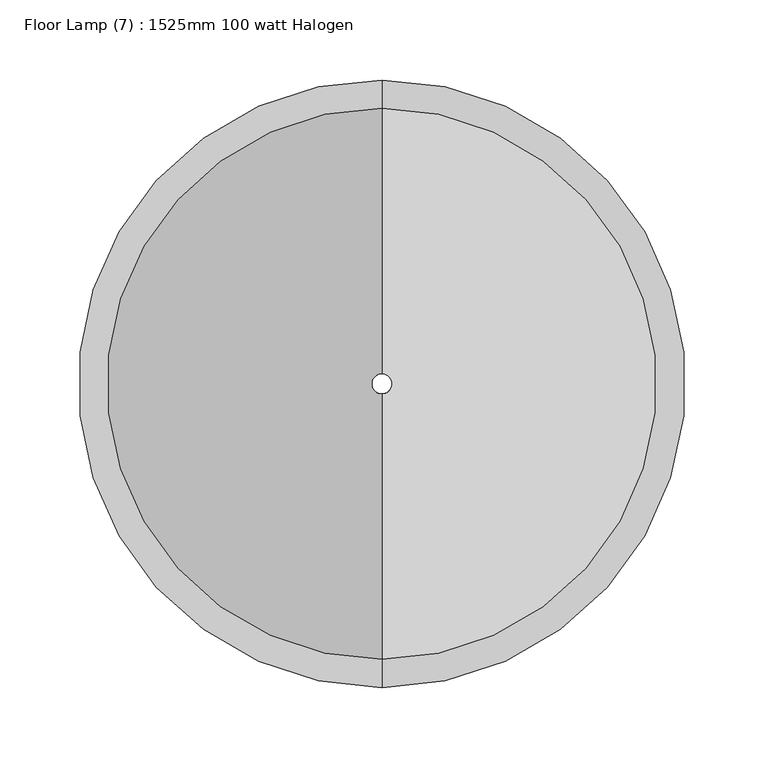
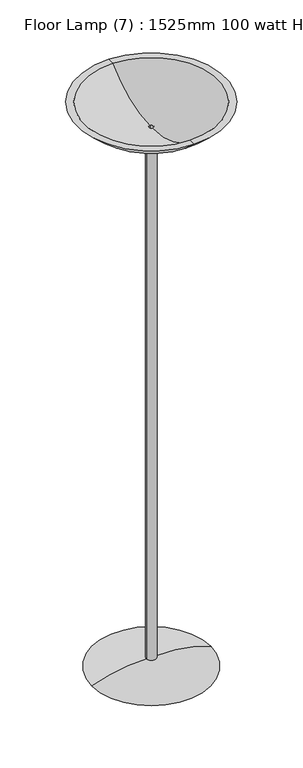
"""IFC4 building model written with IfcOpenShell, lengths in millimetres: light fixture geometry, Floor Lamp (7) : 1525mm 100 watt Halogen."""

from ifc_helpers import new_model, si_unit, point, frame, origin, place, context, project, spatial, polyline, circle_curve, ellipse_curve, trimmed, source, transform, mapped, element, save
from ifc_brep_helpers import plane_surface, cylinder_surface, revolved_surface, advanced_brep


def floor_lamp_7_1525mm_100_watt_halogen_494540a4(model_context):
    return source(origin(), model_context, "Body", "AdvancedBrep", [
        advanced_brep(
        [(-12.7, 0.0, 23.8559377), (12.7, 0.0, 23.8559377), (152.4, 0.0, 0.0), (-152.4, 0.0, 0.0), (-12.7, 0.0, 1444.3755116), (12.7, 0.0, 1444.3755116), (-6.35, 0.0, 1444.3755116), (6.35, 0.0, 1444.3755116), (-6.35, 0.0, 0.0), (6.35, 0.0, 0.0)],
        [
            (0, 1, circle_curve(frame((0.0, 0.0, 23.8559377), z_axis=(0.0, 0.0, -1.0), x_axis=(0.0, 1.0, 0.0)), 12.7)),
            (1, 2, circle_curve(frame((27.9174306, 0.0, -307.9995076), z_axis=(0.0, 1.0, 0.0), x_axis=(1.0, 0.0, 0.0)), 332.2041643)),
            (2, 3, circle_curve(frame((0.0, 0.0, 0.0), z_axis=(0.0, 0.0, 1.0), x_axis=(0.0, 1.0, 0.0)), 152.4)),
            (3, 0, circle_curve(frame((-27.9174306, 0.0, -307.9995076), z_axis=(0.0, 1.0, 0.0), x_axis=(-1.0, 0.0, 0.0)), 332.2041643)),
            (1, 0, circle_curve(frame((0.0, 0.0, 23.8559377), z_axis=(0.0, 0.0, -1.0), x_axis=(0.0, 1.0, 0.0)), 12.7)),
            (3, 2, circle_curve(frame((0.0, 0.0, 0.0), z_axis=(0.0, 0.0, 1.0), x_axis=(0.0, 1.0, 0.0)), 152.4)),
            (4, 5, circle_curve(frame((0.0, 0.0, 1444.3755116), z_axis=(0.0, 0.0, -1.0), x_axis=(0.0, 1.0, 0.0)), 12.7)),
            (5, 1),
            (0, 4),
            (5, 4, circle_curve(frame((0.0, 0.0, 1444.3755116), z_axis=(0.0, 0.0, -1.0), x_axis=(0.0, 1.0, 0.0)), 12.7)),
            (6, 7, circle_curve(frame((0.0, 0.0, 1444.3755116), z_axis=(0.0, 0.0, -1.0), x_axis=(0.0, 1.0, 0.0)), 6.35)),
            (7, 5),
            (4, 6),
            (7, 6, circle_curve(frame((0.0, 0.0, 1444.3755116), z_axis=(0.0, 0.0, -1.0), x_axis=(0.0, 1.0, 0.0)), 6.35)),
            (8, 9, circle_curve(frame((0.0, 0.0, 0.0), z_axis=(0.0, 0.0, -1.0), x_axis=(0.0, 1.0, 0.0)), 6.35)),
            (9, 7),
            (6, 8),
            (9, 8, circle_curve(frame((0.0, 0.0, 0.0), z_axis=(0.0, 0.0, -1.0), x_axis=(0.0, 1.0, 0.0)), 6.35)),
            (2, 9),
            (8, 3),
        ],
        [
            revolved_surface(trimmed(ellipse_curve(frame((0.0, 27.9174306, -307.9995076), z_axis=(1.0, 0.0, 0.0), x_axis=(0.0, 1.0, 0.0)), 332.2041643, 332.2041643), [point((0.0, 152.4, 0.0))], [point((0.0, 12.7, 23.8559377))], True, "CARTESIAN"), (0.0, 0.0, 0.0), (0.0, 0.0, 1.0)),
            cylinder_surface(frame((0.0, 0.0, 0.0), z_axis=(0.0, 0.0, 1.0), x_axis=(0.0, 1.0, 0.0)), 12.7),
            plane_surface(frame((0.0, 0.0, 1444.3755116), z_axis=(0.0, 0.0, 1.0), x_axis=(0.0, 1.0, 0.0))),
            revolved_surface(polyline([(0.0, 6.35, 1444.3755116), (0.0, 6.35, 0.0)]), (0.0, 0.0, 0.0), (0.0, 0.0, 1.0)),
            plane_surface(frame((0.0, 0.0, 0.0), z_axis=(0.0, 0.0, -1.0), x_axis=(0.0, 1.0, 0.0))),
        ],
        [
            (0, [[1, 2, 3, 4]]),
            (0, [[5, -4, 6, -2]]),
            (1, [[7, 8, -1, 9]]),
            (1, [[10, -9, -5, -8]]),
            (2, [[11, 12, -7, 13]]),
            (2, [[14, -13, -10, -12]]),
            (3, [[15, 16, -11, 17]]),
            (3, [[18, -17, -14, -16]]),
            (4, [[-3, 19, -15, 20]]),
            (4, [[-6, -20, -18, -19]]),
        ],
    ),
        advanced_brep(
        [(0.0, -171.9151264, 1525.0), (0.0, 171.9151264, 1525.0), (0.0, 189.6566143, 1525.0), (0.0, -189.6566143, 1525.0), (0.0, -6.35, 1457.0755116), (0.0, 6.35, 1457.0755116), (0.0, -6.35, 1444.3755116), (0.0, 6.35, 1444.3755116), (0.0, -12.7, 1444.3755116), (0.0, 12.7, 1444.3755116)],
        [
            (0, 1, circle_curve(frame((0.0, 0.0, 1525.0), z_axis=(0.0, 0.0, -1.0), x_axis=(0.0, 1.0, 0.0)), 171.9151264)),
            (1, 2),
            (2, 3, circle_curve(frame((0.0, 0.0, 1525.0), z_axis=(0.0, 0.0, 1.0), x_axis=(0.0, 1.0, 0.0)), 189.6566143)),
            (3, 0),
            (1, 0, circle_curve(frame((0.0, 0.0, 1525.0), z_axis=(0.0, 0.0, -1.0), x_axis=(0.0, 1.0, 0.0)), 171.9151264)),
            (3, 2, circle_curve(frame((0.0, 0.0, 1525.0), z_axis=(0.0, 0.0, 1.0), x_axis=(0.0, 1.0, 0.0)), 189.6566143)),
            (4, 5, circle_curve(frame((0.0, 0.0, 1457.0755116), z_axis=(0.0, 0.0, -1.0), x_axis=(0.0, 1.0, 0.0)), 6.35)),
            (5, 1, circle_curve(frame((0.0, 6.35, 1692.8192616), z_axis=(1.0, 0.0, 0.0), x_axis=(0.0, 1.0, 0.0)), 235.74375)),
            (0, 4, circle_curve(frame((0.0, -6.35, 1692.8192616), z_axis=(1.0, 0.0, 0.0), x_axis=(0.0, -1.0, 0.0)), 235.74375)),
            (5, 4, circle_curve(frame((0.0, 0.0, 1457.0755116), z_axis=(0.0, 0.0, -1.0), x_axis=(0.0, 1.0, 0.0)), 6.35)),
            (6, 7, circle_curve(frame((0.0, 0.0, 1444.3755116), z_axis=(0.0, 0.0, -1.0), x_axis=(0.0, 1.0, 0.0)), 6.35)),
            (7, 5),
            (4, 6),
            (7, 6, circle_curve(frame((0.0, 0.0, 1444.3755116), z_axis=(0.0, 0.0, -1.0), x_axis=(0.0, 1.0, 0.0)), 6.35)),
            (8, 9, circle_curve(frame((0.0, 0.0, 1444.3755116), z_axis=(0.0, 0.0, -1.0), x_axis=(0.0, 1.0, 0.0)), 12.7)),
            (9, 7),
            (6, 8),
            (9, 8, circle_curve(frame((0.0, 0.0, 1444.3755116), z_axis=(0.0, 0.0, -1.0), x_axis=(0.0, 1.0, 0.0)), 12.7)),
            (2, 9, circle_curve(frame((0.0, 6.35, 1692.8192616), z_axis=(-1.0, 0.0, 0.0), x_axis=(0.0, 1.0, 0.0)), 248.5248869)),
            (8, 3, circle_curve(frame((0.0, -6.35, 1692.8192616), z_axis=(-1.0, 0.0, 0.0), x_axis=(0.0, -1.0, 0.0)), 248.5248869)),
        ],
        [
            plane_surface(frame((0.0, 0.0, 1525.0), z_axis=(0.0, 0.0, 1.0), x_axis=(0.0, 1.0, 0.0))),
            revolved_surface(trimmed(ellipse_curve(frame((0.0, 6.35, 1692.8192616), z_axis=(-1.0, 0.0, 0.0), x_axis=(0.0, 1.0, 0.0)), 235.74375, 235.74375), [point((0.0, 171.9151264, 1525.0))], [point((0.0, 6.35, 1457.0755116))], True, "CARTESIAN"), (0.0, 0.0, 1677.4), (0.0, 0.0, 1.0)),
            revolved_surface(polyline([(0.0, 6.35, 1457.0755116), (0.0, 6.35, 1444.3755116)]), (0.0, 0.0, 1677.4), (0.0, 0.0, 1.0)),
            plane_surface(frame((0.0, 0.0, 1444.3755116), z_axis=(0.0, 0.0, -1.0), x_axis=(0.0, 1.0, 0.0))),
            revolved_surface(trimmed(ellipse_curve(frame((0.0, 6.35, 1692.8192616), z_axis=(1.0, 0.0, 0.0), x_axis=(0.0, 1.0, 0.0)), 248.5248869, 248.5248869), [point((0.0, 12.7, 1444.3755116))], [point((0.0, 189.6566143, 1525.0))], True, "CARTESIAN"), (0.0, 0.0, 1677.4), (0.0, 0.0, 1.0)),
        ],
        [
            (0, [[1, 2, 3, 4]]),
            (0, [[5, -4, 6, -2]]),
            (1, [[7, 8, -1, 9]]),
            (1, [[10, -9, -5, -8]]),
            (2, [[11, 12, -7, 13]]),
            (2, [[14, -13, -10, -12]]),
            (3, [[15, 16, -11, 17]]),
            (3, [[18, -17, -14, -16]]),
            (4, [[-3, 19, -15, 20]]),
            (4, [[-6, -20, -18, -19]]),
        ],
    ),
    ])


if __name__ == "__main__":
    model = new_model("IFC4")
    model_context = context("Model", 3, world=origin())
    ifc_project = project(units=[si_unit("LENGTHUNIT", "METRE", prefix="MILLI")], contexts=[model_context])
    site = spatial("IfcSite", under=ifc_project)
    building = spatial("IfcBuilding", under=site)
    placement = place(None, origin())
    floor_lamp_7_1525mm_100_watt_halogen_shape = floor_lamp_7_1525mm_100_watt_halogen_494540a4(model_context)
    element("IfcLightFixture", 1, ObjectType="Floor Lamp (7) : 1525mm 100 watt Halogen", at=placement, inside=building, context=model_context, shape_type="MappedRepresentation", body=[
        mapped(floor_lamp_7_1525mm_100_watt_halogen_shape, transform((0.0, 0.0, 0.0), x_axis=(1.0, 0.0, 0.0), y_axis=(0.0, 1.0, 0.0), z_axis=(0.0, 0.0, 1.0))),
    ])
    save(model, "model.ifc")
